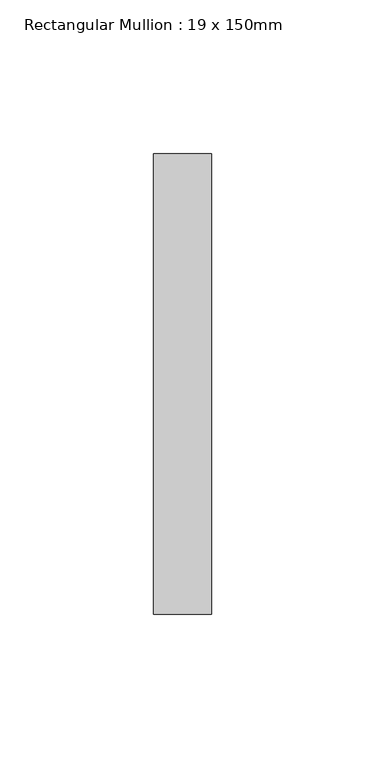
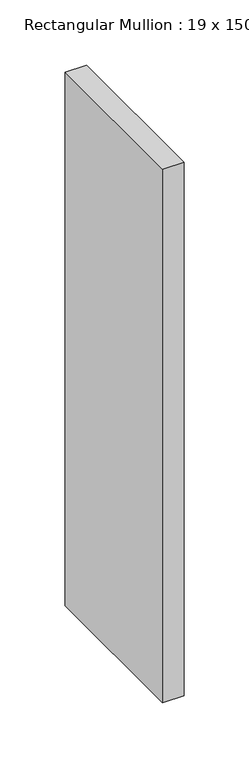
"""IFC4 building model written with IfcOpenShell, lengths in millimetres: member geometry, Rectangular Mullion : 19 x 150mm."""

import ifcopenshell
import ifcopenshell.guid

model = None  # the IFC model being written
_history = None  # IfcOwnerHistory: only IFC2X3 demands one
_inside = {}  # id of a spatial element -> (the spatial element, [elements in it])
_under = {}  # id of a project, library or spatial element -> (it, [spatial elements below it])
_declared = {}  # id of a project -> (the project, [libraries it declares])
_typed = {}  # id of a type object -> (the type object, [elements of that type])
_made_of = {}  # id of a material, layer set ... -> (it, [elements and type objects made of it])


def new_model(schema):
    """Start an empty IFC model of exactly this schema.

    Asked for "IFC4X3", IfcOpenShell would pick the latest addendum, in which some entities
    have other attributes; the version numbers below select the first issue.
    IFC2X3 requires an IfcOwnerHistory on every rooted entity: one is made here for all.
    """
    global model, _history
    if schema == "IFC4X3":
        model = ifcopenshell.file(schema_version=(4, 3, 0, 0))
    else:
        model = ifcopenshell.file(schema=schema)
    _inside.clear()
    _under.clear()
    _declared.clear()
    _typed.clear()
    _made_of.clear()
    _history = None
    if model.schema == "IFC2X3":
        org = make("IfcOrganization", Name="unknown")
        user = make(
            "IfcPersonAndOrganization",
            ThePerson=make("IfcPerson", FamilyName="unknown"),
            TheOrganization=org,
        )
        app = make(
            "IfcApplication",
            ApplicationDeveloper=org,
            Version="unknown",
            ApplicationFullName="unknown",
            ApplicationIdentifier="unknown",
        )
        _history = make(
            "IfcOwnerHistory",
            OwningUser=user,
            OwningApplication=app,
            ChangeAction="ADDED",
            CreationDate=0,
        )
    return model


def make(cls, **values):
    """One entity of the class cls with the attributes given. An attribute that is None is left unset."""
    return model.create_entity(
        cls, **{name: value for name, value in values.items() if value is not None}
    )


def rooted(cls, **values):
    """An entity with a GlobalId (a new one), such as an element, a storey or a relation."""
    return make(cls, GlobalId=ifcopenshell.guid.new(), OwnerHistory=_history, **values)


def si_unit(unit_type, name, prefix=None):
    """IfcSIUnit, for example si_unit("LENGTHUNIT", "METRE", prefix="MILLI")."""
    return make("IfcSIUnit", UnitType=unit_type, Prefix=prefix, Name=name)


def assignment(units):
    """IfcUnitAssignment: the units of a project."""
    return None if units is None else make("IfcUnitAssignment", Units=units)


def point(xyz):
    """IfcCartesianPoint."""
    return None if xyz is None else make("IfcCartesianPoint", Coordinates=xyz)


def direction(xyz):
    """IfcDirection."""
    return None if xyz is None else make("IfcDirection", DirectionRatios=xyz)


def frame(location, z_axis=None, x_axis=None):
    """IfcAxis2Placement3D, a coordinate frame: its origin and axes. An axis left out is left unset."""
    return make(
        "IfcAxis2Placement3D",
        Location=point(location),
        Axis=direction(z_axis),
        RefDirection=direction(x_axis),
    )


def origin():
    """The frame at (0, 0, 0) with its axes left unset."""
    return frame((0.0, 0.0, 0.0))


def place(relative_to, where):
    """IfcLocalPlacement: puts the frame where relative to a parent placement (None: the world)."""
    return make(
        "IfcLocalPlacement", PlacementRelTo=relative_to, RelativePlacement=where
    )


def context(
    kind, dimensions, precision=None, world=None, true_north=None, identifier=None
):
    """IfcGeometricRepresentationContext, for example the 3D "Model" context."""
    return make(
        "IfcGeometricRepresentationContext",
        ContextIdentifier=identifier,
        ContextType=kind,
        CoordinateSpaceDimension=dimensions,
        Precision=precision,
        WorldCoordinateSystem=world,
        TrueNorth=true_north,
    )


def project(units=None, contexts=None):
    """IfcProject with its units and contexts."""
    return rooted(
        "IfcProject",
        Name="project",
        RepresentationContexts=contexts,
        UnitsInContext=assignment(units),
    )


def spatial(cls, under=None, at=None, **own):
    """A site, building, storey or space (cls), placed at a placement, below another one or the project."""
    s = rooted(cls, ObjectPlacement=at, **own)
    if under is not None:
        _under.setdefault(under.id(), (under, []))[1].append(s)
    return s


def polyline(points):
    """IfcPolyline through the points."""
    return make("IfcPolyline", Points=[point(p) for p in points])


def outline(outer, holes=None, kind="AREA"):
    """IfcArbitraryClosedProfileDef: a profile drawn as a closed curve; with holes, ...WithVoids."""
    if holes is None:
        return make("IfcArbitraryClosedProfileDef", ProfileType=kind, OuterCurve=outer)
    return make(
        "IfcArbitraryProfileDefWithVoids",
        ProfileType=kind,
        OuterCurve=outer,
        InnerCurves=holes,
    )


def extrude(swept, where, along, depth):
    """IfcExtrudedAreaSolid: the profile swept, set in the frame where, extruded along a direction by depth."""
    return make(
        "IfcExtrudedAreaSolid",
        SweptArea=swept,
        Position=where,
        ExtrudedDirection=direction(along),
        Depth=depth,
    )


def shape(context_of_items, identifier, shape_type, items):
    """IfcShapeRepresentation: the items that make up one representation, for example the "Body"."""
    return make(
        "IfcShapeRepresentation",
        ContextOfItems=context_of_items,
        RepresentationIdentifier=identifier,
        RepresentationType=shape_type,
        Items=items,
    )


def source(mapping_origin, context_of_items, identifier, shape_type, items):
    """IfcRepresentationMap: a shape defined once, which mapped items show again and again."""
    return make(
        "IfcRepresentationMap",
        MappingOrigin=mapping_origin,
        MappedRepresentation=shape(context_of_items, identifier, shape_type, items),
    )


def transform(
    local_origin,
    x_axis=None,
    y_axis=None,
    z_axis=None,
    scale=None,
    scale2=None,
    scale3=None,
    uniform=True,
):
    """IfcCartesianTransformationOperator3D, or its non-uniform kind. x_axis, y_axis, z_axis: its Axis1, 2, 3."""
    if uniform:
        return make(
            "IfcCartesianTransformationOperator3D",
            Axis1=direction(x_axis),
            Axis2=direction(y_axis),
            LocalOrigin=point(local_origin),
            Scale=scale,
            Axis3=direction(z_axis),
        )
    return make(
        "IfcCartesianTransformationOperator3DnonUniform",
        Axis1=direction(x_axis),
        Axis2=direction(y_axis),
        LocalOrigin=point(local_origin),
        Scale=scale,
        Axis3=direction(z_axis),
        Scale2=scale2,
        Scale3=scale3,
    )


def mapped(mapping_source, mapping_target):
    """IfcMappedItem: shows the shape of a source again, moved by a transform."""
    return make(
        "IfcMappedItem", MappingSource=mapping_source, MappingTarget=mapping_target
    )


def made_of(thing, what):
    """Note that an element or type object is made of a material, layer set ...; save() writes the relation."""
    if what is not None:
        _made_of.setdefault(what.id(), (what, []))[1].append(thing)
    return thing


def element(
    cls,
    number,
    at=None,
    inside=None,
    cuts=None,
    type_object=None,
    material=None,
    context=None,
    identifier="Body",
    shape_type=None,
    held_by="IfcProductDefinitionShape",
    body=None,
    shapes=None,
    **own,
):
    """One element of the class cls, such as IfcWall. Its Tag is "e" and its number.

    at: its placement. inside: the storey or other place that contains it. cuts: it is an
    opening in that element (IfcRelVoidsElement). A single representation is given by context,
    identifier, shape_type and body (its items); several are given by shapes. held_by: the class
    of the entity that holds the representations. save() writes the other relations.
    """
    e = rooted(cls, Tag="e%d" % number, ObjectPlacement=at, **own)
    if body is not None:
        shapes = [shape(context, identifier, shape_type, body)]
    if shapes is not None:
        e.Representation = make(held_by, Representations=shapes)
    if inside is not None:
        _inside.setdefault(inside.id(), (inside, []))[1].append(e)
    if cuts is not None:
        rooted(
            "IfcRelVoidsElement", RelatingBuildingElement=cuts, RelatedOpeningElement=e
        )
    if type_object is not None:
        _typed.setdefault(type_object.id(), (type_object, []))[1].append(e)
    return made_of(e, material)


def aggregate(whole, parts):
    """IfcRelAggregates: a whole, such as a stair, and the parts it consists of."""
    return rooted("IfcRelAggregates", RelatingObject=whole, RelatedObjects=parts)


def save(model, path):
    """Write the relations noted so far, then the file.

    IfcRelAggregates (storeys below a building ...), IfcRelContainedInSpatialStructure (elements
    in a storey), IfcRelDefinesByType, IfcRelAssociatesMaterial and IfcRelDeclares: one each for
    every whole, place, type object, material and project.
    """
    for whole, parts in _under.values():
        aggregate(whole, parts)
    for where, things in _inside.values():
        rooted(
            "IfcRelContainedInSpatialStructure",
            RelatedElements=things,
            RelatingStructure=where,
        )
    for kind, things in _typed.values():
        rooted("IfcRelDefinesByType", RelatedObjects=things, RelatingType=kind)
    for what, things in _made_of.values():
        rooted("IfcRelAssociatesMaterial", RelatedObjects=things, RelatingMaterial=what)
    for by, libraries in _declared.values():
        rooted("IfcRelDeclares", RelatingContext=by, RelatedDefinitions=libraries)
    model.write(path)


def rectangular_mullion_19_x_150mm_a5c3aba8(model_context):
    return source(origin(), model_context, "Body", "SweptSolid", [
        extrude(outline(polyline([(0.0, -25.0), (0.0, -175.0), (-19.0, -175.0), (-19.0, -25.0), (0.0, -25.0)])), frame((0.0, 0.0, -500.0), z_axis=(0.0, 0.0, 1.0), x_axis=(1.0, 0.0, 0.0)), (0.0, 0.0, 1.0), 500.0),
    ])


if __name__ == "__main__":
    model = new_model("IFC4")
    model_context = context("Model", 3, world=origin())
    ifc_project = project(units=[si_unit("LENGTHUNIT", "METRE", prefix="MILLI")], contexts=[model_context])
    site = spatial("IfcSite", under=ifc_project)
    building = spatial("IfcBuilding", under=site)
    placement = place(None, origin())
    rectangular_mullion_19_x_150mm_shape = rectangular_mullion_19_x_150mm_a5c3aba8(model_context)
    element("IfcMember", 1, ObjectType="Rectangular Mullion : 19 x 150mm", at=placement, inside=building, context=model_context, shape_type="MappedRepresentation", body=[
        mapped(rectangular_mullion_19_x_150mm_shape, transform((0.0, 0.0, 0.0), x_axis=(1.0, 0.0, 0.0), y_axis=(0.0, 1.0, 0.0), z_axis=(0.0, 0.0, 1.0))),
    ])
    save(model, "model.ifc")
